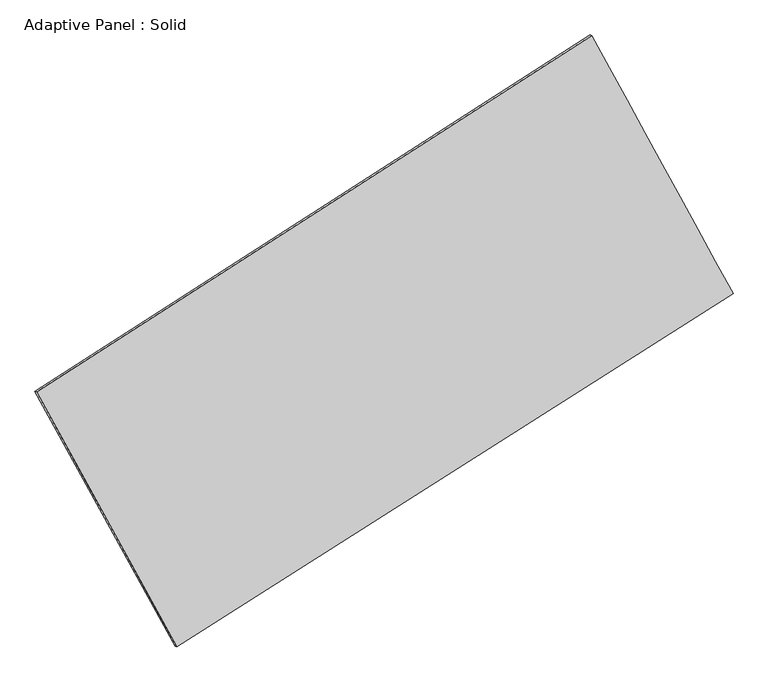
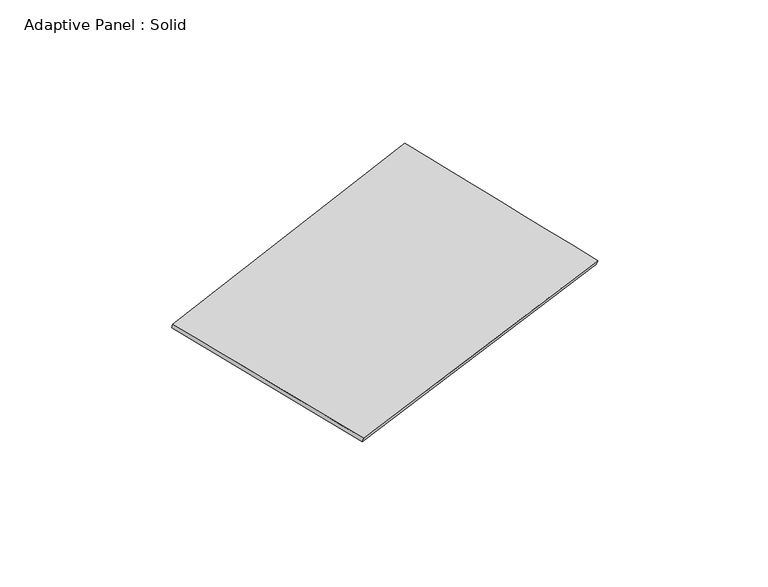
"""IFC4 building model written with IfcOpenShell, lengths in millimetres: plate geometry, Adaptive Panel : Solid."""

from ifc_helpers import new_model, si_unit, frame, origin, place, context, project, spatial, source, transform, mapped, element, save
from ifc_brep_helpers import plane_surface, spline_surface, advanced_brep


def adaptive_panel_solid_9d149fce(model_context):
    return source(origin(), model_context, "Body", "AdvancedBrep", [
        advanced_brep(
        [(1165.8257658, 2588.9216949, 676.0555255), (-3701.6221593, -538.3715699, 1751.6407347), (-3686.9558034, -544.7516634, 1799.0136427), (1180.4921216, 2582.5416014, 723.4284335), (-2472.5271763, -2775.2804801, 1080.0937904), (-2457.8608205, -2781.6605735, 1127.4666984), (2405.0329917, 324.4817822, -22.6675304), (2419.6993475, 318.1016888, 24.7053776)],
        [
            (0, 1),
            (1, 2),
            (2, 3),
            (3, 0),
            (1, 4),
            (4, 5),
            (5, 2),
            (4, 6),
            (6, 7),
            (7, 5),
            (6, 0),
            (3, 7),
        ],
        [
            plane_surface(frame((-1267.8981968, 1025.2750625, 1213.8481301), z_axis=(-0.48018916663295413, 0.8373009576273137, 0.2614296666500045), x_axis=(-0.8271456512516983, -0.5314339391103361, 0.1827786639000177))),
            plane_surface(frame((-3087.0746678, -1656.826025, 1415.8672626), z_axis=(-0.8355098725120876, -0.5158778455515218, 0.18919117686603423), x_axis=(0.46570624794973475, -0.8475687151617062, -0.25445031676088464))),
            plane_surface(frame((-33.7470923, -1225.3993489, 528.71313), z_axis=(0.47526121461720433, -0.8404499144547927, -0.2603280990855809), x_axis=(0.8290280049623773, 0.526859666652974, -0.18743387805414993))),
            plane_surface(frame((1785.4293787, 1456.7017386, 326.6939976), z_axis=(0.8356162301938286, 0.5156838832174411, -0.18925022701818733), x_axis=(-0.4633874367173425, 0.8467615301188233, 0.26127953345671795))),
            spline_surface(1, 1, [[(-3686.9558034, -544.7516634, 1799.0136427), (1180.4921216, 2582.5416014, 723.4284335)], [(-2457.8608205, -2781.6605735, 1127.4666984), (2419.6993475, 318.1016888, 24.7053776)]], [2, 2], [2, 2], [0.0, 1.0], [0.0, 1.0]),
            spline_surface(1, 1, [[(2405.0329917, 324.4817822, -22.6675304), (1165.8257658, 2588.9216949, 676.0555255)], [(-2472.5271763, -2775.2804801, 1080.0937904), (-3701.6221593, -538.3715699, 1751.6407347)]], [2, 2], [2, 2], [0.0, 1.0], [0.0, 1.0]),
        ],
        [
            (0, [[1, 2, 3, 4]]),
            (1, [[5, 6, 7, -2]]),
            (2, [[8, 9, 10, -6]]),
            (3, [[11, -4, 12, -9]]),
            (4, [[-3, -7, -10, -12]]),
            (5, [[-11, -8, -5, -1]]),
        ],
    ),
    ])


if __name__ == "__main__":
    model = new_model("IFC4")
    model_context = context("Model", 3, world=origin())
    ifc_project = project(units=[si_unit("LENGTHUNIT", "METRE", prefix="MILLI")], contexts=[model_context])
    site = spatial("IfcSite", under=ifc_project)
    building = spatial("IfcBuilding", under=site)
    placement = place(None, origin())
    adaptive_panel_solid_shape = adaptive_panel_solid_9d149fce(model_context)
    element("IfcPlate", 1, ObjectType="Adaptive Panel : Solid", at=placement, inside=building, context=model_context, shape_type="MappedRepresentation", body=[
        mapped(adaptive_panel_solid_shape, transform((0.0, 0.0, 0.0), x_axis=(1.0, 0.0, 0.0), y_axis=(0.0, 1.0, 0.0), z_axis=(0.0, 0.0, 1.0))),
    ])
    save(model, "model.ifc")
